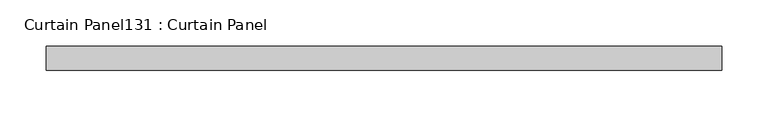
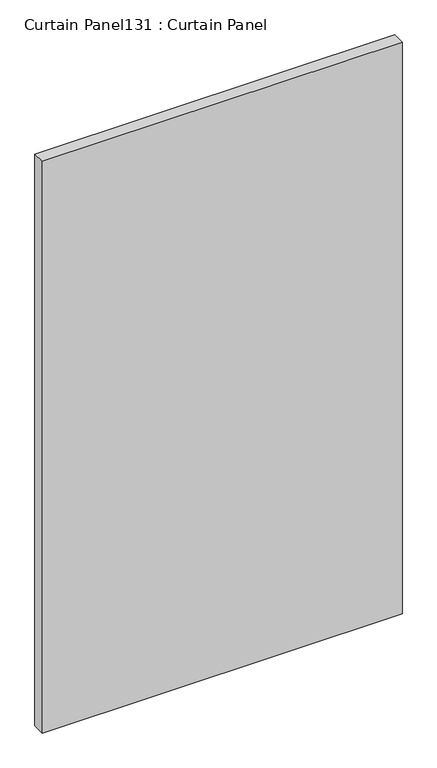
"""IFC4 building model written with IfcOpenShell, lengths in millimetres: plate geometry, Curtain Panel131 : Curtain Panel."""

from ifc_helpers import new_model, si_unit, origin, origin_with_axes, place, context, project, spatial, polyline, outline, extrude, source, transform, mapped, element, save


def curtain_panel131_curtain_panel_10906f5d(model_context):
    return source(origin(), model_context, "Body", "SweptSolid", [
        extrude(outline(polyline([(-57698.7460548, 1867.1760947), (-58424.5637795, 1867.1760947), (-58424.5637795, 1892.5760947), (-57698.7460548, 1892.5760947), (-57698.7460548, 1867.1760947)])), origin_with_axes(), (0.0, 0.0, 1.0), 1219.2),
    ])


if __name__ == "__main__":
    model = new_model("IFC4")
    model_context = context("Model", 3, world=origin())
    ifc_project = project(units=[si_unit("LENGTHUNIT", "METRE", prefix="MILLI")], contexts=[model_context])
    site = spatial("IfcSite", under=ifc_project)
    building = spatial("IfcBuilding", under=site)
    placement = place(None, origin())
    curtain_panel131_curtain_panel_shape = curtain_panel131_curtain_panel_10906f5d(model_context)
    element("IfcPlate", 1, ObjectType="Curtain Panel131 : Curtain Panel", at=placement, inside=building, context=model_context, shape_type="MappedRepresentation", body=[
        mapped(curtain_panel131_curtain_panel_shape, transform((0.0, 0.0, 0.0), x_axis=(1.0, 0.0, 0.0), y_axis=(0.0, 1.0, 0.0), z_axis=(0.0, 0.0, 1.0))),
    ])
    save(model, "model.ifc")
